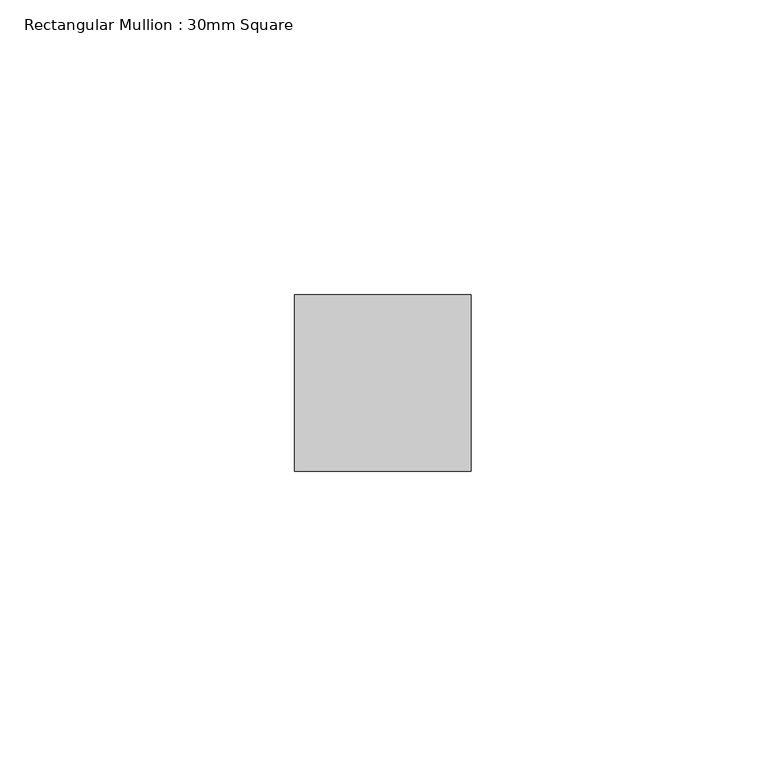
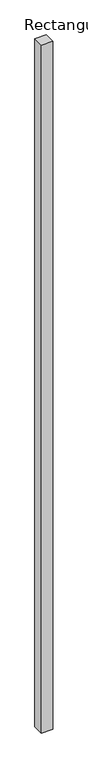
"""IFC4 building model written with IfcOpenShell, lengths in millimetres: member geometry, Rectangular Mullion : 30mm Square."""

from ifc_helpers import new_model, si_unit, frame, origin, place, context, project, spatial, polyline, outline, extrude, source, transform, mapped, element, save


def rectangular_mullion_30mm_square_43fc26bc(model_context):
    return source(origin(), model_context, "Body", "SweptSolid", [
        extrude(outline(polyline([(15.0, 15.0), (15.0, -15.0), (-15.0, -15.0), (-15.0, 15.0), (15.0, 15.0)])), frame((0.0, 0.0, -1925.3187667), z_axis=(0.0, 0.0, 1.0), x_axis=(1.0, 0.0, 0.0)), (0.0, 0.0, 1.0), 1925.3187667),
    ])


if __name__ == "__main__":
    model = new_model("IFC4")
    model_context = context("Model", 3, world=origin())
    ifc_project = project(units=[si_unit("LENGTHUNIT", "METRE", prefix="MILLI")], contexts=[model_context])
    site = spatial("IfcSite", under=ifc_project)
    building = spatial("IfcBuilding", under=site)
    placement = place(None, origin())
    rectangular_mullion_30mm_square_shape = rectangular_mullion_30mm_square_43fc26bc(model_context)
    element("IfcMember", 1, ObjectType="Rectangular Mullion : 30mm Square", at=placement, inside=building, context=model_context, shape_type="MappedRepresentation", body=[
        mapped(rectangular_mullion_30mm_square_shape, transform((0.0, 0.0, 0.0), x_axis=(1.0, 0.0, 0.0), y_axis=(0.0, 1.0, 0.0), z_axis=(0.0, 0.0, 1.0))),
    ])
    save(model, "model.ifc")
